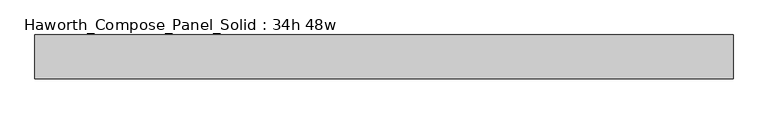
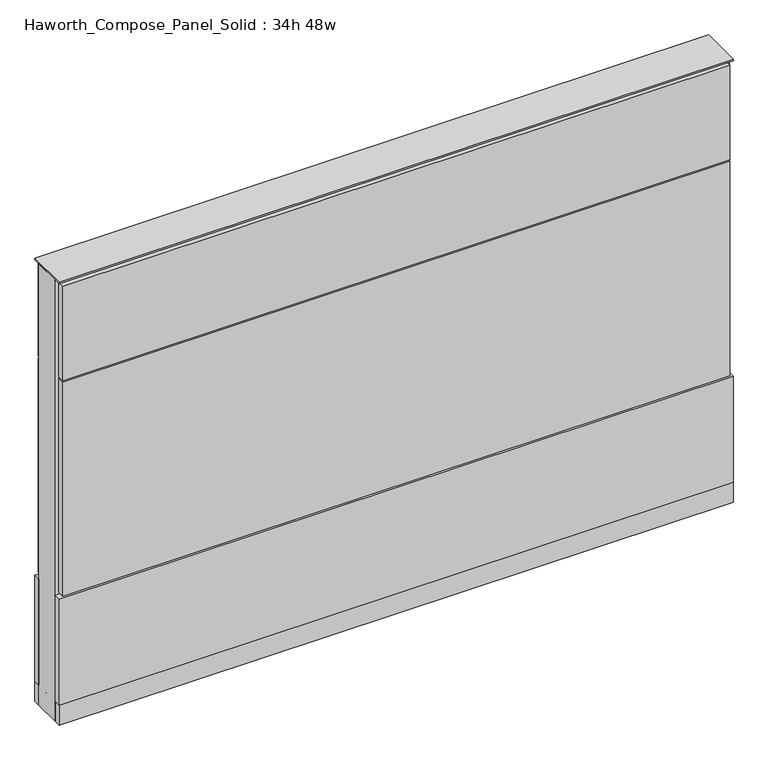
"""IFC4 building model written with IfcOpenShell, lengths in millimetres: furniture geometry, Haworth_Compose_Panel_Solid : 34h 48w."""

from ifc_helpers import new_model, si_unit, point, frame, frame_2d, origin, origin_with_axes, place, context, project, spatial, polyline, circle_curve, trimmed, segment, composite_curve, outline, extrude, source, transform, mapped, element, save


def haworth_compose_panel_solid_34h_48w_af104c56(model_context):
    return source(origin(), model_context, "Body", "SweptSolid", [
        extrude(outline(composite_curve([segment(trimmed(circle_curve(frame_2d((-530.9597098, 0.0)), 12.7), [point((-543.6597098, 0.0))], [point((-518.2597098, 0.0))], False, "CARTESIAN"), True, "CONTINUOUS"), segment(trimmed(circle_curve(frame_2d((-530.9597098, 0.0)), 12.7), [point((-518.2597098, 0.0))], [point((-543.6597098, 0.0))], False, "CARTESIAN"), True, "CONTINUOUS")], self_intersect=False)), origin_with_axes(), (0.0, 0.0, 1.0), 12.7),
        extrude(outline(composite_curve([segment(trimmed(circle_curve(frame_2d((535.8402902, 0.0)), 12.7), [point((523.1402902, 0.0))], [point((548.5402902, 0.0))], False, "CARTESIAN"), True, "CONTINUOUS"), segment(trimmed(circle_curve(frame_2d((535.8402902, 0.0)), 12.7), [point((548.5402902, 0.0))], [point((523.1402902, 0.0))], False, "CARTESIAN"), True, "CONTINUOUS")], self_intersect=False)), origin_with_axes(), (0.0, 0.0, 1.0), 12.7),
        extrude(outline(polyline([(605.6902902, -38.1), (-600.8097098, -38.1), (-600.8097098, -25.4), (605.6902902, -25.4), (605.6902902, -38.1)])), frame((0.0, 0.0, 669.925), z_axis=(0.0, 0.0, 1.0), x_axis=(1.0, 0.0, 0.0)), (0.0, 0.0, 1.0), 180.975),
        extrude(outline(polyline([(605.6902902, -38.1), (-600.8097098, -38.1), (-600.8097098, -25.4), (605.6902902, -25.4), (605.6902902, -38.1)])), frame((0.0, 0.0, 257.175), z_axis=(0.0, 0.0, 1.0), x_axis=(1.0, 0.0, 0.0)), (0.0, 0.0, 1.0), 409.575),
        extrude(outline(polyline([(612.0402902, -38.1), (-607.1597098, -38.1), (-607.1597098, -25.4), (612.0402902, -25.4), (612.0402902, -38.1)])), frame((0.0, 0.0, 50.8), z_axis=(0.0, 0.0, 1.0), x_axis=(1.0, 0.0, 0.0)), (0.0, 0.0, 1.0), 203.2),
        extrude(outline(polyline([(612.0402902, 38.1), (612.0402902, 25.4), (-607.1597098, 25.4), (-607.1597098, 38.1), (612.0402902, 38.1)])), frame((0.0, 0.0, 50.8), z_axis=(0.0, 0.0, 1.0), x_axis=(1.0, 0.0, 0.0)), (0.0, 0.0, 1.0), 203.2),
        extrude(outline(polyline([(605.6902902, 38.1), (605.6902902, 25.4), (-600.8097098, 25.4), (-600.8097098, 38.1), (605.6902902, 38.1)])), frame((0.0, 0.0, 669.925), z_axis=(0.0, 0.0, 1.0), x_axis=(1.0, 0.0, 0.0)), (0.0, 0.0, 1.0), 180.975),
        extrude(outline(polyline([(605.6902902, 38.1), (605.6902902, 25.4), (-600.8097098, 25.4), (-600.8097098, 38.1), (605.6902902, 38.1)])), frame((0.0, 0.0, 257.175), z_axis=(0.0, 0.0, 1.0), x_axis=(1.0, 0.0, 0.0)), (0.0, 0.0, 1.0), 409.575),
        extrude(outline(polyline([(612.0402902, -25.4), (-607.1597098, -25.4), (-607.1597098, 25.4), (612.0402902, 25.4), (612.0402902, -25.4)])), frame((0.0, 0.0, 12.7), z_axis=(0.0, 0.0, 1.0), x_axis=(1.0, 0.0, 0.0)), (0.0, 0.0, 1.0), 844.55),
        extrude(outline(polyline([(-607.1597098, 38.1), (612.0402902, 38.1), (612.0402902, -38.1), (-607.1597098, -38.1), (-607.1597098, 38.1)])), frame((0.0, 0.0, 12.7), z_axis=(0.0, 0.0, 1.0), x_axis=(1.0, 0.0, 0.0)), (0.0, 0.0, 1.0), 38.1),
        extrude(outline(polyline([(-607.1597098, 38.1), (612.0402902, 38.1), (612.0402902, -38.1), (-607.1597098, -38.1), (-607.1597098, 38.1)])), frame((0.0, 0.0, 857.25), z_axis=(0.0, 0.0, 1.0), x_axis=(1.0, 0.0, 0.0)), (0.0, 0.0, 1.0), 3.175),
    ])


if __name__ == "__main__":
    model = new_model("IFC4")
    model_context = context("Model", 3, world=origin())
    ifc_project = project(units=[si_unit("LENGTHUNIT", "METRE", prefix="MILLI")], contexts=[model_context])
    site = spatial("IfcSite", under=ifc_project)
    building = spatial("IfcBuilding", under=site)
    placement = place(None, origin())
    haworth_compose_panel_solid_34h_48w_shape = haworth_compose_panel_solid_34h_48w_af104c56(model_context)
    element("IfcFurniture", 1, ObjectType="Haworth_Compose_Panel_Solid : 34h 48w", at=placement, inside=building, context=model_context, shape_type="MappedRepresentation", body=[
        mapped(haworth_compose_panel_solid_34h_48w_shape, transform((0.0, 0.0, 0.0), x_axis=(1.0, 0.0, 0.0), y_axis=(0.0, 1.0, 0.0), z_axis=(0.0, 0.0, 1.0))),
    ])
    save(model, "model.ifc")
